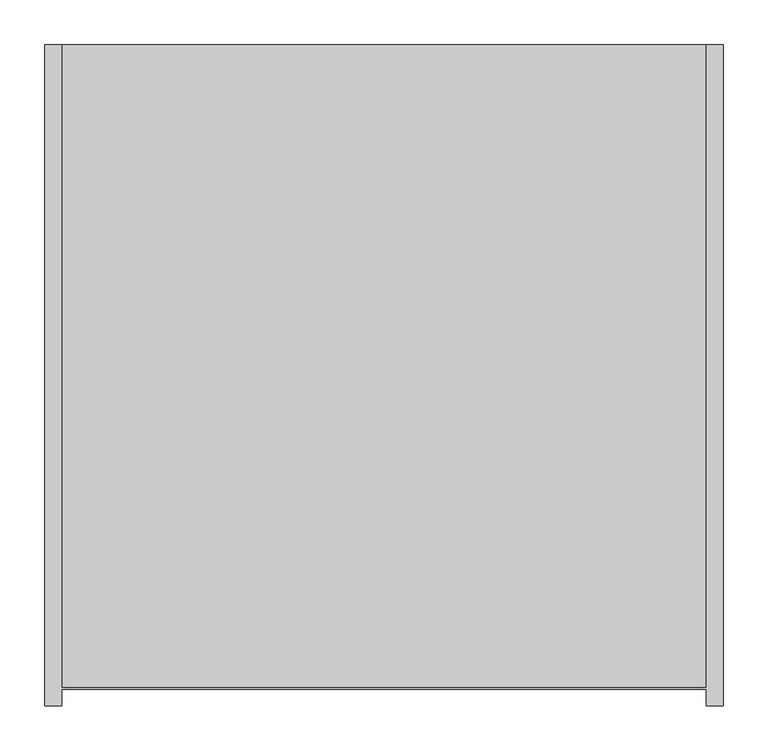
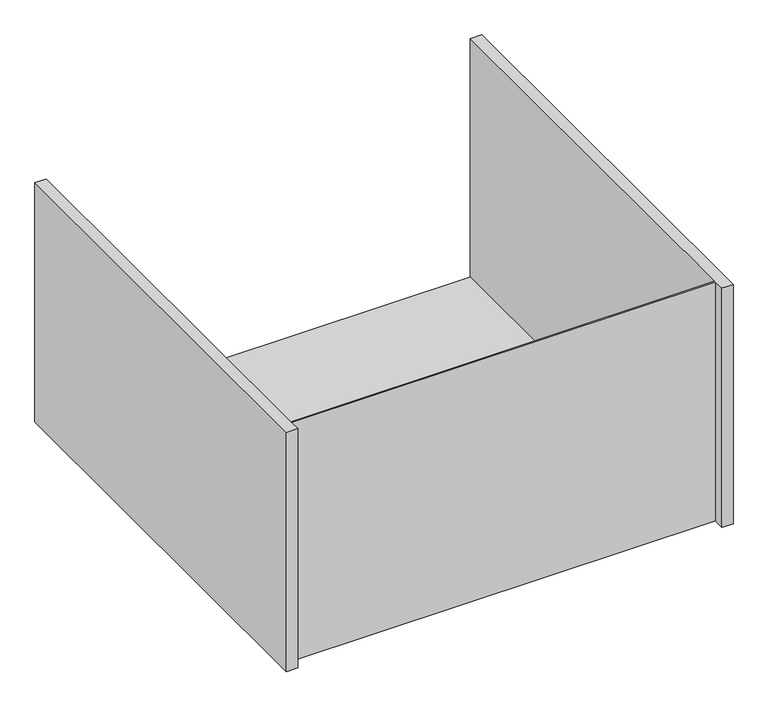
"""IFC4 building model written with IfcOpenShell, lengths in millimetres: furniture geometry."""

from ifc_helpers import new_model, si_unit, origin, place, context, project, spatial, faceted_brep, source, transform, mapped, element, save


def furniture_0726f71f(model_context):
    return source(origin(), model_context, "Body", "Brep", [
        faceted_brep([(361.95, -477.8375, 882.65), (-361.95, -477.8375, 882.65), (-361.95, 244.475, 882.65), (-381.0, 244.475, 882.65), (-381.0, -498.475, 882.65), (-361.95, -498.475, 882.65), (-361.95, -479.425, 882.65), (361.95, -479.425, 882.65), (361.95, -498.475, 882.65), (381.0, -498.475, 882.65), (381.0, 244.475, 882.65), (361.95, 244.475, 882.65), (-361.95, -479.425, 450.85), (361.95, -479.425, 450.85), (-361.95, -498.475, 450.85), (-381.0, -498.475, 450.85), (-381.0, 244.475, 450.85), (381.0, 244.475, 450.85), (381.0, -498.475, 450.85), (361.95, -498.475, 450.85), (-361.95, 244.475, 452.4375), (361.95, 244.475, 452.4375), (-361.95, -477.8375, 452.4375), (361.95, -477.8375, 452.4375)], [[[0, 1, 2, 3, 4, 5, 6, 7, 8, 9, 10, 11]], [[7, 6, 12, 13]], [[13, 12, 14, 15, 16, 17, 18, 19]], [[17, 16, 3, 2, 20, 21, 11, 10]], [[21, 20, 22, 23]], [[1, 0, 23, 22]], [[0, 11, 21, 23]], [[19, 8, 7, 13]], [[9, 8, 19, 18]], [[10, 9, 18, 17]], [[2, 1, 22, 20]], [[5, 14, 12, 6]], [[4, 3, 16, 15]], [[5, 4, 15, 14]]]),
    ])


if __name__ == "__main__":
    model = new_model("IFC4")
    model_context = context("Model", 3, world=origin())
    ifc_project = project(units=[si_unit("LENGTHUNIT", "METRE", prefix="MILLI")], contexts=[model_context])
    site = spatial("IfcSite", under=ifc_project)
    building = spatial("IfcBuilding", under=site)
    placement = place(None, origin())
    furniture_shape = furniture_0726f71f(model_context)
    element("IfcFurniture", 1, at=placement, inside=building, context=model_context, shape_type="MappedRepresentation", body=[
        mapped(furniture_shape, transform((0.0, 0.0, 0.0), x_axis=(1.0, 0.0, 0.0), y_axis=(0.0, 1.0, 0.0), z_axis=(0.0, 0.0, 1.0))),
    ])
    save(model, "model.ifc")
